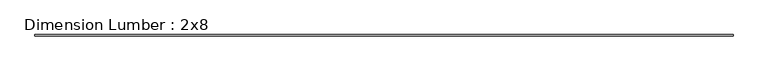
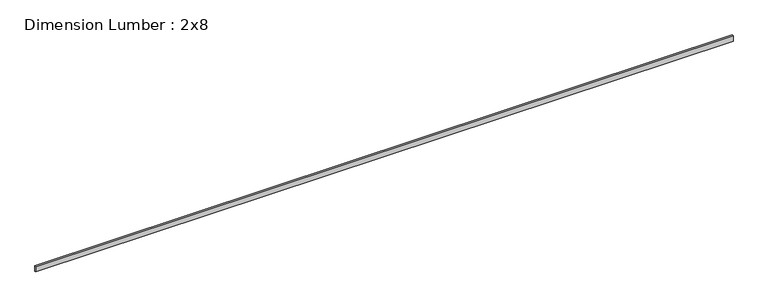
"""IFC4 building model written with IfcOpenShell, lengths in millimetres: beam geometry, Dimension Lumber : 2x8."""

from ifc_helpers import new_model, si_unit, frame, origin, place, context, project, spatial, polyline, outline, extrude, source, transform, mapped, element, save


def dimension_lumber_2x8_794b266e(model_context):
    return source(origin(), model_context, "Body", "SweptSolid", [
        extrude(outline(polyline([(11201.4, 19.05), (11201.4, -19.05), (-11201.4, -19.05), (-11201.4, 19.05), (11201.4, 19.05)])), frame((0.0, 0.0, -92.075), z_axis=(0.0, 0.0, 1.0), x_axis=(1.0, 0.0, 0.0)), (0.0, 0.0, 1.0), 184.15),
    ])


if __name__ == "__main__":
    model = new_model("IFC4")
    model_context = context("Model", 3, world=origin())
    ifc_project = project(units=[si_unit("LENGTHUNIT", "METRE", prefix="MILLI")], contexts=[model_context])
    site = spatial("IfcSite", under=ifc_project)
    building = spatial("IfcBuilding", under=site)
    placement = place(None, origin())
    dimension_lumber_2x8_shape = dimension_lumber_2x8_794b266e(model_context)
    element("IfcBeam", 1, ObjectType="Dimension Lumber : 2x8", at=placement, inside=building, context=model_context, shape_type="MappedRepresentation", body=[
        mapped(dimension_lumber_2x8_shape, transform((0.0, 0.0, 0.0), x_axis=(1.0, 0.0, 0.0), y_axis=(0.0, 1.0, 0.0), z_axis=(0.0, 0.0, 1.0))),
    ])
    save(model, "model.ifc")
